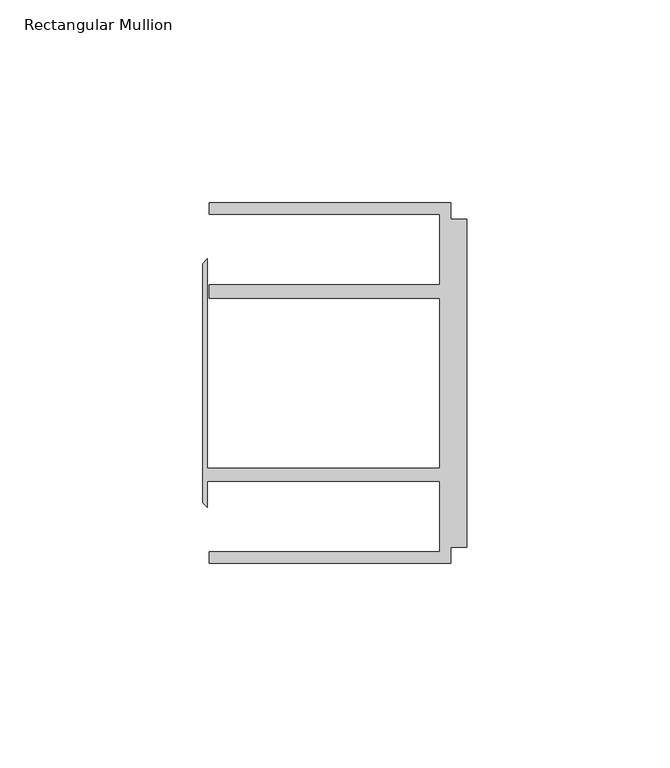
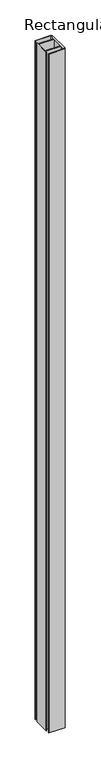
"""IFC4 building model written with IfcOpenShell, lengths in millimetres: member geometry, Rectangular Mullion."""

import ifcopenshell
import ifcopenshell.guid

model = None  # the IFC model being written
_history = None  # IfcOwnerHistory: only IFC2X3 demands one
_inside = {}  # id of a spatial element -> (the spatial element, [elements in it])
_under = {}  # id of a project, library or spatial element -> (it, [spatial elements below it])
_declared = {}  # id of a project -> (the project, [libraries it declares])
_typed = {}  # id of a type object -> (the type object, [elements of that type])
_made_of = {}  # id of a material, layer set ... -> (it, [elements and type objects made of it])


def new_model(schema):
    """Start an empty IFC model of exactly this schema.

    Asked for "IFC4X3", IfcOpenShell would pick the latest addendum, in which some entities
    have other attributes; the version numbers below select the first issue.
    IFC2X3 requires an IfcOwnerHistory on every rooted entity: one is made here for all.
    """
    global model, _history
    if schema == "IFC4X3":
        model = ifcopenshell.file(schema_version=(4, 3, 0, 0))
    else:
        model = ifcopenshell.file(schema=schema)
    _inside.clear()
    _under.clear()
    _declared.clear()
    _typed.clear()
    _made_of.clear()
    _history = None
    if model.schema == "IFC2X3":
        org = make("IfcOrganization", Name="unknown")
        user = make(
            "IfcPersonAndOrganization",
            ThePerson=make("IfcPerson", FamilyName="unknown"),
            TheOrganization=org,
        )
        app = make(
            "IfcApplication",
            ApplicationDeveloper=org,
            Version="unknown",
            ApplicationFullName="unknown",
            ApplicationIdentifier="unknown",
        )
        _history = make(
            "IfcOwnerHistory",
            OwningUser=user,
            OwningApplication=app,
            ChangeAction="ADDED",
            CreationDate=0,
        )
    return model


def make(cls, **values):
    """One entity of the class cls with the attributes given. An attribute that is None is left unset."""
    return model.create_entity(
        cls, **{name: value for name, value in values.items() if value is not None}
    )


def rooted(cls, **values):
    """An entity with a GlobalId (a new one), such as an element, a storey or a relation."""
    return make(cls, GlobalId=ifcopenshell.guid.new(), OwnerHistory=_history, **values)


def si_unit(unit_type, name, prefix=None):
    """IfcSIUnit, for example si_unit("LENGTHUNIT", "METRE", prefix="MILLI")."""
    return make("IfcSIUnit", UnitType=unit_type, Prefix=prefix, Name=name)


def assignment(units):
    """IfcUnitAssignment: the units of a project."""
    return None if units is None else make("IfcUnitAssignment", Units=units)


def point(xyz):
    """IfcCartesianPoint."""
    return None if xyz is None else make("IfcCartesianPoint", Coordinates=xyz)


def direction(xyz):
    """IfcDirection."""
    return None if xyz is None else make("IfcDirection", DirectionRatios=xyz)


def frame(location, z_axis=None, x_axis=None):
    """IfcAxis2Placement3D, a coordinate frame: its origin and axes. An axis left out is left unset."""
    return make(
        "IfcAxis2Placement3D",
        Location=point(location),
        Axis=direction(z_axis),
        RefDirection=direction(x_axis),
    )


def origin():
    """The frame at (0, 0, 0) with its axes left unset."""
    return frame((0.0, 0.0, 0.0))


def place(relative_to, where):
    """IfcLocalPlacement: puts the frame where relative to a parent placement (None: the world)."""
    return make(
        "IfcLocalPlacement", PlacementRelTo=relative_to, RelativePlacement=where
    )


def context(
    kind, dimensions, precision=None, world=None, true_north=None, identifier=None
):
    """IfcGeometricRepresentationContext, for example the 3D "Model" context."""
    return make(
        "IfcGeometricRepresentationContext",
        ContextIdentifier=identifier,
        ContextType=kind,
        CoordinateSpaceDimension=dimensions,
        Precision=precision,
        WorldCoordinateSystem=world,
        TrueNorth=true_north,
    )


def project(units=None, contexts=None):
    """IfcProject with its units and contexts."""
    return rooted(
        "IfcProject",
        Name="project",
        RepresentationContexts=contexts,
        UnitsInContext=assignment(units),
    )


def spatial(cls, under=None, at=None, **own):
    """A site, building, storey or space (cls), placed at a placement, below another one or the project."""
    s = rooted(cls, ObjectPlacement=at, **own)
    if under is not None:
        _under.setdefault(under.id(), (under, []))[1].append(s)
    return s


def polyline(points):
    """IfcPolyline through the points."""
    return make("IfcPolyline", Points=[point(p) for p in points])


def outline(outer, holes=None, kind="AREA"):
    """IfcArbitraryClosedProfileDef: a profile drawn as a closed curve; with holes, ...WithVoids."""
    if holes is None:
        return make("IfcArbitraryClosedProfileDef", ProfileType=kind, OuterCurve=outer)
    return make(
        "IfcArbitraryProfileDefWithVoids",
        ProfileType=kind,
        OuterCurve=outer,
        InnerCurves=holes,
    )


def extrude(swept, where, along, depth):
    """IfcExtrudedAreaSolid: the profile swept, set in the frame where, extruded along a direction by depth."""
    return make(
        "IfcExtrudedAreaSolid",
        SweptArea=swept,
        Position=where,
        ExtrudedDirection=direction(along),
        Depth=depth,
    )


def shape(context_of_items, identifier, shape_type, items):
    """IfcShapeRepresentation: the items that make up one representation, for example the "Body"."""
    return make(
        "IfcShapeRepresentation",
        ContextOfItems=context_of_items,
        RepresentationIdentifier=identifier,
        RepresentationType=shape_type,
        Items=items,
    )


def source(mapping_origin, context_of_items, identifier, shape_type, items):
    """IfcRepresentationMap: a shape defined once, which mapped items show again and again."""
    return make(
        "IfcRepresentationMap",
        MappingOrigin=mapping_origin,
        MappedRepresentation=shape(context_of_items, identifier, shape_type, items),
    )


def transform(
    local_origin,
    x_axis=None,
    y_axis=None,
    z_axis=None,
    scale=None,
    scale2=None,
    scale3=None,
    uniform=True,
):
    """IfcCartesianTransformationOperator3D, or its non-uniform kind. x_axis, y_axis, z_axis: its Axis1, 2, 3."""
    if uniform:
        return make(
            "IfcCartesianTransformationOperator3D",
            Axis1=direction(x_axis),
            Axis2=direction(y_axis),
            LocalOrigin=point(local_origin),
            Scale=scale,
            Axis3=direction(z_axis),
        )
    return make(
        "IfcCartesianTransformationOperator3DnonUniform",
        Axis1=direction(x_axis),
        Axis2=direction(y_axis),
        LocalOrigin=point(local_origin),
        Scale=scale,
        Axis3=direction(z_axis),
        Scale2=scale2,
        Scale3=scale3,
    )


def mapped(mapping_source, mapping_target):
    """IfcMappedItem: shows the shape of a source again, moved by a transform."""
    return make(
        "IfcMappedItem", MappingSource=mapping_source, MappingTarget=mapping_target
    )


def made_of(thing, what):
    """Note that an element or type object is made of a material, layer set ...; save() writes the relation."""
    if what is not None:
        _made_of.setdefault(what.id(), (what, []))[1].append(thing)
    return thing


def element(
    cls,
    number,
    at=None,
    inside=None,
    cuts=None,
    type_object=None,
    material=None,
    context=None,
    identifier="Body",
    shape_type=None,
    held_by="IfcProductDefinitionShape",
    body=None,
    shapes=None,
    **own,
):
    """One element of the class cls, such as IfcWall. Its Tag is "e" and its number.

    at: its placement. inside: the storey or other place that contains it. cuts: it is an
    opening in that element (IfcRelVoidsElement). A single representation is given by context,
    identifier, shape_type and body (its items); several are given by shapes. held_by: the class
    of the entity that holds the representations. save() writes the other relations.
    """
    e = rooted(cls, Tag="e%d" % number, ObjectPlacement=at, **own)
    if body is not None:
        shapes = [shape(context, identifier, shape_type, body)]
    if shapes is not None:
        e.Representation = make(held_by, Representations=shapes)
    if inside is not None:
        _inside.setdefault(inside.id(), (inside, []))[1].append(e)
    if cuts is not None:
        rooted(
            "IfcRelVoidsElement", RelatingBuildingElement=cuts, RelatedOpeningElement=e
        )
    if type_object is not None:
        _typed.setdefault(type_object.id(), (type_object, []))[1].append(e)
    return made_of(e, material)


def aggregate(whole, parts):
    """IfcRelAggregates: a whole, such as a stair, and the parts it consists of."""
    return rooted("IfcRelAggregates", RelatingObject=whole, RelatedObjects=parts)


def save(model, path):
    """Write the relations noted so far, then the file.

    IfcRelAggregates (storeys below a building ...), IfcRelContainedInSpatialStructure (elements
    in a storey), IfcRelDefinesByType, IfcRelAssociatesMaterial and IfcRelDeclares: one each for
    every whole, place, type object, material and project.
    """
    for whole, parts in _under.values():
        aggregate(whole, parts)
    for where, things in _inside.values():
        rooted(
            "IfcRelContainedInSpatialStructure",
            RelatedElements=things,
            RelatingStructure=where,
        )
    for kind, things in _typed.values():
        rooted("IfcRelDefinesByType", RelatedObjects=things, RelatingType=kind)
    for what, things in _made_of.values():
        rooted("IfcRelAssociatesMaterial", RelatedObjects=things, RelatingMaterial=what)
    for by, libraries in _declared.values():
        rooted("IfcRelDeclares", RelatingContext=by, RelatedDefinitions=libraries)
    model.write(path)


def rectangular_mullion_25e365ad(model_context):
    return source(origin(), model_context, "Body", "SweptSolid", [
        extrude(outline(polyline([(-4.0000001, 44.45), (-4.0000001, 40.4500013), (0.0, 40.4500013), (0.0, -40.4500013), (-4.0000001, -40.4500013), (-4.0000001, -44.45), (-63.5, -44.45), (-63.5, -41.6500013), (-6.6000002, -41.6500013), (-6.6000002, -24.2500008), (-63.9424102, -24.2500008), (-63.9424102, -30.6159585), (-65.0875, -29.4708687), (-65.0875, 29.4708687), (-63.9424102, 30.6159585), (-63.9424102, -20.9500007), (-6.6000002, -20.9500007), (-6.6000002, 20.9500007), (-63.5, 20.9500007), (-63.5, 24.2500008), (-6.6000002, 24.2500008), (-6.6000002, 41.6500013), (-63.5, 41.6500013), (-63.5, 44.45), (-4.0000001, 44.45)])), frame((0.0, 0.0, -2678.1125), z_axis=(0.0, 0.0, 1.0), x_axis=(1.0, 0.0, 0.0)), (0.0, 0.0, 1.0), 2678.1125),
    ])


if __name__ == "__main__":
    model = new_model("IFC4")
    model_context = context("Model", 3, world=origin())
    ifc_project = project(units=[si_unit("LENGTHUNIT", "METRE", prefix="MILLI")], contexts=[model_context])
    site = spatial("IfcSite", under=ifc_project)
    building = spatial("IfcBuilding", under=site)
    placement = place(None, origin())
    rectangular_mullion_shape = rectangular_mullion_25e365ad(model_context)
    element("IfcMember", 1, ObjectType="Rectangular Mullion", at=placement, inside=building, context=model_context, shape_type="MappedRepresentation", body=[
        mapped(rectangular_mullion_shape, transform((0.0, 0.0, 0.0), x_axis=(1.0, 0.0, 0.0), y_axis=(0.0, 1.0, 0.0), z_axis=(0.0, 0.0, 1.0))),
    ])
    save(model, "model.ifc")
